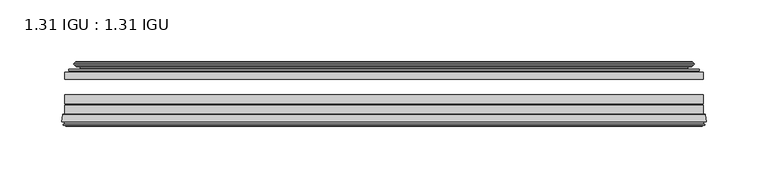
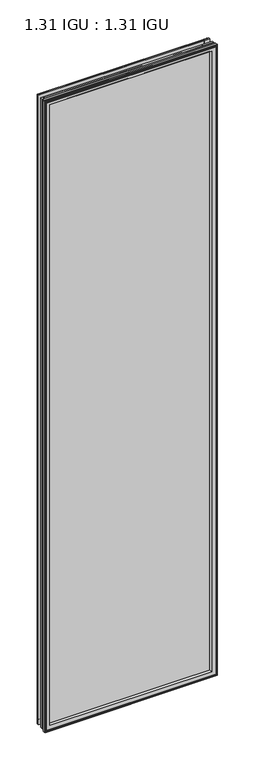
"""IFC4 building model written with IfcOpenShell, lengths in millimetres: plate geometry, 1.31 IGU : 1.31 IGU."""

from ifc_helpers import new_model, si_unit, frame, origin, place, context, project, spatial, polyline, ellipse_curve, outline, extrude, source, transform, mapped, element, save
from ifc_brep_helpers import plane_surface, cylinder_surface, revolved_surface, advanced_brep


def plate_1_31_igu_1_31_igu_939684bc(model_context):
    return source(origin(), model_context, "Body", "SolidModel", [
        extrude(outline(polyline([(258.7578362, -44.8960875), (258.7578362, -50.4332875), (-258.7627713, -50.4332875), (-258.7627713, -44.8960875), (258.7578362, -44.8960875)])), frame((0.0, 0.0, -14.2875), z_axis=(0.0, 0.0, 1.0), x_axis=(1.0, 0.0, 0.0)), (0.0, 0.0, 1.0), 2009.67848),
        extrude(outline(polyline([(-258.7627713, -78.7796875), (-258.7627713, -71.7692875), (258.7578362, -71.7692875), (258.7578362, -78.7796875), (-258.7627713, -78.7796875)])), frame((0.0, 0.0, -14.2875), z_axis=(0.0, 0.0, 1.0), x_axis=(1.0, 0.0, 0.0)), (0.0, 0.0, 1.0), 2009.67848),
        extrude(outline(polyline([(-258.7627713, -70.2452875), (-258.7627713, -63.1332875), (258.7578362, -63.1332875), (258.7578362, -70.2452875), (-258.7627713, -70.2452875)])), frame((0.0, 0.0, -14.2875), z_axis=(0.0, 0.0, 1.0), x_axis=(1.0, 0.0, 0.0)), (0.0, 0.0, 1.0), 2009.67848),
        advanced_brep(
        [(-261.3096752, -85.1296875, 1997.9378839), (-260.6148914, -79.4711276, 1997.2431001), (-260.6148914, -79.4711276, -16.1396201), (-261.3096752, -85.1296875, -16.8344039), (-258.9220752, -87.1207518, 1995.5502839), (-259.3792752, -85.1296875, 1996.0074839), (-259.3792752, -85.1296875, -14.9040039), (-258.9220752, -87.1207518, -14.4468039), (-259.9234371, -86.8524376, 1996.5516458), (-259.9234371, -86.8524376, -15.4481658), (-260.1666752, -87.7602147, 1996.7948839), (-260.1666752, -87.7602147, -15.6914039), (-258.1346752, -88.3046875, 1994.7628839), (-258.1346752, -88.3046875, -13.6594039), (-256.1026752, -87.7602147, 1992.7308839), (-256.1026752, -87.7602147, -11.6274039), (-256.3459133, -86.8524376, 1992.9741221), (-256.3459133, -86.8524376, -11.8706421), (-257.3472752, -87.1207518, 1993.9754839), (-257.3472752, -87.1207518, -12.8720039), (-256.8900752, -85.1296875, 1993.5182839), (-256.8900752, -85.1296875, -12.4148039), (-259.8333606, -78.7796875, 1996.4615693), (-259.8333606, -78.7796875, -15.3580893), (260.6148914, -79.4711276, -16.1396201), (261.3096752, -85.1296875, -16.8344039), (259.3792752, -85.1296875, -14.9040039), (258.9220752, -87.1207518, -14.4468039), (259.9234371, -86.8524376, -15.4481658), (260.1666752, -87.7602147, -15.6914039), (258.1346752, -88.3046875, -13.6594039), (256.1026752, -87.7602147, -11.6274039), (256.3459133, -86.8524376, -11.8706421), (257.3472752, -87.1207518, -12.8720039), (256.8900752, -85.1296875, -12.4148039), (259.8333606, -78.7796875, -15.3580893), (260.6148914, -79.4711276, 1997.2431001), (261.3096752, -85.1296875, 1997.9378839), (259.3792752, -85.1296875, 1996.0074839), (258.9220752, -87.1207518, 1995.5502839), (259.9234371, -86.8524376, 1996.5516458), (260.1666752, -87.7602147, 1996.7948839), (258.1346752, -88.3046875, 1994.7628839), (256.1026752, -87.7602147, 1992.7308839), (256.3459133, -86.8524376, 1992.9741221), (257.3472752, -87.1207518, 1993.9754839), (256.8900752, -85.1296875, 1993.5182839), (259.8333606, -78.7796875, 1996.4615693), (-244.4874844, -85.1296875, 1981.1156931), (244.4874844, -85.1296875, 1981.1156931), (244.4874844, -85.1296875, -0.0122131), (-244.4874844, -85.1296875, -0.0122131), (-241.1712075, -78.7796875, 3.3040638), (241.1712075, -78.7796875, 3.3040638), (241.1712075, -78.7796875, 1977.7994162), (-241.1712075, -78.7796875, 1977.7994162)],
        [
            (0, 1),
            (1, 2),
            (2, 3),
            (3, 0),
            (4, 5),
            (5, 6),
            (6, 7),
            (7, 4),
            (8, 4),
            (7, 9),
            (9, 8),
            (10, 8),
            (9, 11),
            (11, 10),
            (12, 10),
            (11, 13),
            (13, 12),
            (14, 12),
            (13, 15),
            (15, 14),
            (16, 14),
            (15, 17),
            (17, 16),
            (18, 16),
            (17, 19),
            (19, 18),
            (20, 18),
            (19, 21),
            (21, 20),
            (1, 22, ellipse_curve(frame((-259.8333606, -79.5670875, 1996.4615693), z_axis=(-0.7071067811865475, 0.0, -0.7071067811865475), x_axis=(-0.7071067811865474, 0.0, 0.7071067811865476)), 1.1135518, 0.7874)),
            (22, 23),
            (23, 2, ellipse_curve(frame((-259.8333606, -79.5670875, -15.3580893), z_axis=(-0.7071067811865475, 0.0, 0.7071067811865475), x_axis=(0.7071067811865474, 0.0, 0.7071067811865476)), 1.1135518, 0.7874)),
            (2, 24),
            (24, 25),
            (25, 3),
            (6, 26),
            (26, 27),
            (27, 7),
            (27, 28),
            (28, 9),
            (28, 29),
            (29, 11),
            (29, 30),
            (30, 13),
            (30, 31),
            (31, 15),
            (31, 32),
            (32, 17),
            (32, 33),
            (33, 19),
            (33, 34),
            (34, 21),
            (23, 35),
            (35, 24, ellipse_curve(frame((259.8333606, -79.5670875, -15.3580893), z_axis=(-0.7071067811865475, 0.0, -0.7071067811865475), x_axis=(-0.7071067811865476, 0.0, 0.7071067811865474)), 1.1135518, 0.7874)),
            (24, 36),
            (36, 37),
            (37, 25),
            (26, 38),
            (38, 39),
            (39, 27),
            (39, 40),
            (40, 28),
            (40, 41),
            (41, 29),
            (41, 42),
            (42, 30),
            (42, 43),
            (43, 31),
            (43, 44),
            (44, 32),
            (44, 45),
            (45, 33),
            (45, 46),
            (46, 34),
            (35, 47),
            (47, 36, ellipse_curve(frame((259.8333606, -79.5670875, 1996.4615693), z_axis=(0.7071067811865475, 0.0, -0.7071067811865475), x_axis=(-0.7071067811865474, 0.0, -0.7071067811865476)), 1.1135518, 0.7874)),
            (36, 1),
            (0, 37),
            (5, 38),
            (4, 39),
            (8, 40),
            (10, 41),
            (12, 42),
            (14, 43),
            (16, 44),
            (18, 45),
            (20, 46),
            (48, 49),
            (49, 50),
            (50, 51),
            (51, 48),
            (22, 47),
            (52, 53),
            (53, 54),
            (54, 55),
            (55, 52),
            (55, 48, ellipse_curve(frame((-233.2381895, -86.963653, 1969.8663982), z_axis=(0.7071067811865475, 0.0, 0.7071067811865475), x_axis=(0.7071067811865474, 0.0, -0.7071067811865476)), 16.118937, 11.3978097)),
            (51, 52, ellipse_curve(frame((-233.2381895, -86.963653, 11.2370818), z_axis=(0.7071067811865475, 0.0, -0.7071067811865475), x_axis=(-0.7071067811865474, 0.0, -0.7071067811865476)), 16.118937, 11.3978097)),
            (50, 53, ellipse_curve(frame((233.2381895, -86.963653, 11.2370818), z_axis=(0.7071067811865475, 0.0, 0.7071067811865475), x_axis=(0.7071067811865476, 0.0, -0.7071067811865474)), 16.118937, 11.3978097)),
            (49, 54, ellipse_curve(frame((233.2381895, -86.963653, 1969.8663982), z_axis=(-0.7071067811865475, 0.0, 0.7071067811865475), x_axis=(0.7071067811865474, 0.0, 0.7071067811865476)), 16.118937, 11.3978097)),
        ],
        [
            plane_surface(frame((-260.6148914, -79.4711276, 1997.2431001), z_axis=(-0.9925461516413008, 0.12186934340532068, 0.0), x_axis=(0.0, 0.0, -1.0))),
            plane_surface(frame((-259.3792752, -85.1296875, 1996.0074839), z_axis=(-0.9746347637895997, -0.22380142361654332, 0.0), x_axis=(0.0, 0.0, -1.0))),
            plane_surface(frame((-258.9220752, -87.1207518, 1995.5502839), z_axis=(0.25881904510266784, 0.9659258262890289, 0.0), x_axis=(0.0, 0.0, -1.0))),
            plane_surface(frame((-259.9234371, -86.8524376, 1996.5516458), z_axis=(-0.9659258262890449, 0.2588190451026083, 0.0), x_axis=(0.0, 0.0, -1.0))),
            plane_surface(frame((-260.1666752, -87.7602147, 1996.7948839), z_axis=(-0.2588190451025689, -0.9659258262890554, 0.0), x_axis=(0.0, 0.0, -1.0))),
            plane_surface(frame((-258.1346752, -88.3046875, 1994.7628839), z_axis=(0.25881904510241466, -0.9659258262890968, 0.0), x_axis=(0.0, 0.0, -1.0))),
            plane_surface(frame((-256.1026752, -87.7602147, 1992.7308839), z_axis=(0.9659258262890272, 0.25881904510267406, 0.0), x_axis=(0.0, 0.0, -1.0))),
            plane_surface(frame((-256.3459133, -86.8524376, 1992.9741221), z_axis=(-0.25881904510234177, 0.9659258262891163, 0.0), x_axis=(0.0, 0.0, -1.0))),
            plane_surface(frame((-257.3472752, -87.1207518, 1993.9754839), z_axis=(0.9746347637895936, -0.2238014236165695, 0.0), x_axis=(0.0, 0.0, -1.0))),
            cylinder_surface(frame((-259.8333606, -79.5670875, 2012.85348), z_axis=(0.0, 0.0, 1.0), x_axis=(-1.0, 0.0, 0.0)), 0.7874),
            plane_surface(frame((-260.6148914, -79.4711276, -16.1396201), z_axis=(0.0, 0.12186934340531747, -0.9925461516413012), x_axis=(1.0, 0.0, 0.0))),
            plane_surface(frame((-259.3792752, -85.1296875, -14.9040039), z_axis=(0.0, -0.22380142361654648, -0.9746347637895989), x_axis=(1.0, 0.0, 0.0))),
            plane_surface(frame((-258.9220752, -87.1207518, -14.4468039), z_axis=(0.0, 0.9659258262890298, 0.25881904510266474), x_axis=(1.0, 0.0, 0.0))),
            plane_surface(frame((-259.9234371, -86.8524376, -15.4481658), z_axis=(0.0, 0.25881904510260517, -0.9659258262890458), x_axis=(1.0, 0.0, 0.0))),
            plane_surface(frame((-260.1666752, -87.7602147, -15.6914039), z_axis=(0.0, -0.9659258262890563, -0.2588190451025658), x_axis=(1.0, 0.0, 0.0))),
            plane_surface(frame((-258.1346752, -88.3046875, -13.6594039), z_axis=(0.0, -0.965925826289096, 0.25881904510241777), x_axis=(1.0, 0.0, 0.0))),
            plane_surface(frame((-256.1026752, -87.7602147, -11.6274039), z_axis=(0.0, 0.2588190451026772, 0.9659258262890265), x_axis=(1.0, 0.0, 0.0))),
            plane_surface(frame((-256.3459133, -86.8524376, -11.8706421), z_axis=(0.0, 0.9659258262891154, -0.2588190451023449), x_axis=(1.0, 0.0, 0.0))),
            plane_surface(frame((-257.3472752, -87.1207518, -12.8720039), z_axis=(0.0, -0.22380142361656633, 0.9746347637895943), x_axis=(1.0, 0.0, 0.0))),
            cylinder_surface(frame((-276.2252713, -79.5670875, -15.3580893), z_axis=(-1.0, 0.0, 0.0), x_axis=(0.0, 0.0, -1.0)), 0.7874),
            plane_surface(frame((260.6148914, -79.4711276, -16.1396201), z_axis=(0.9925461516413017, 0.12186934340531425, 0.0), x_axis=(0.0, 0.0, 1.0))),
            plane_surface(frame((259.3792752, -85.1296875, -14.9040039), z_axis=(0.9746347637895981, -0.22380142361654964, 0.0), x_axis=(0.0, 0.0, 1.0))),
            plane_surface(frame((258.9220752, -87.1207518, -14.4468039), z_axis=(-0.2588190451026616, 0.9659258262890307, 0.0), x_axis=(0.0, 0.0, 1.0))),
            plane_surface(frame((259.9234371, -86.8524376, -15.4481658), z_axis=(0.9659258262890467, 0.25881904510260206, 0.0), x_axis=(0.0, 0.0, 1.0))),
            plane_surface(frame((260.1666752, -87.7602147, -15.6914039), z_axis=(0.2588190451025627, -0.9659258262890572, 0.0), x_axis=(0.0, 0.0, 1.0))),
            plane_surface(frame((258.1346752, -88.3046875, -13.6594039), z_axis=(-0.2588190451024209, -0.9659258262890951, 0.0), x_axis=(0.0, 0.0, 1.0))),
            plane_surface(frame((256.1026752, -87.7602147, -11.6274039), z_axis=(-0.9659258262890256, 0.25881904510268033, 0.0), x_axis=(0.0, 0.0, 1.0))),
            plane_surface(frame((256.3459133, -86.8524376, -11.8706421), z_axis=(0.25881904510234804, 0.9659258262891146, 0.0), x_axis=(0.0, 0.0, 1.0))),
            plane_surface(frame((257.3472752, -87.1207518, -12.8720039), z_axis=(-0.9746347637895951, -0.22380142361656316, 0.0), x_axis=(0.0, 0.0, 1.0))),
            cylinder_surface(frame((259.8333606, -79.5670875, -31.75), z_axis=(0.0, 0.0, -1.0), x_axis=(1.0, 0.0, 0.0)), 0.7874),
            plane_surface(frame((260.6148914, -79.4711276, 1997.2431001), z_axis=(0.0, 0.12186934340531747, 0.9925461516413012), x_axis=(-1.0, 0.0, 0.0))),
            plane_surface(frame((261.3096752, -85.1296875, 1997.9378839), z_axis=(0.0, -1.0, 0.0), x_axis=(-1.0, 0.0, 0.0))),
            plane_surface(frame((259.3792752, -85.1296875, 1996.0074839), z_axis=(0.0, -0.22380142361654648, 0.9746347637895989), x_axis=(-1.0, 0.0, 0.0))),
            plane_surface(frame((258.9220752, -87.1207518, 1995.5502839), z_axis=(0.0, 0.9659258262890298, -0.25881904510266474), x_axis=(-1.0, 0.0, 0.0))),
            plane_surface(frame((259.9234371, -86.8524376, 1996.5516458), z_axis=(0.0, 0.25881904510260517, 0.9659258262890458), x_axis=(-1.0, 0.0, 0.0))),
            plane_surface(frame((260.1666752, -87.7602147, 1996.7948839), z_axis=(0.0, -0.9659258262890563, 0.2588190451025658), x_axis=(-1.0, 0.0, 0.0))),
            plane_surface(frame((258.1346752, -88.3046875, 1994.7628839), z_axis=(0.0, -0.965925826289096, -0.25881904510241777), x_axis=(-1.0, 0.0, 0.0))),
            plane_surface(frame((256.1026752, -87.7602147, 1992.7308839), z_axis=(0.0, 0.2588190451026772, -0.9659258262890265), x_axis=(-1.0, 0.0, 0.0))),
            plane_surface(frame((256.3459133, -86.8524376, 1992.9741221), z_axis=(0.0, 0.9659258262891155, 0.25881904510234494), x_axis=(-1.0, 0.0, 0.0))),
            plane_surface(frame((257.3472752, -87.1207518, 1993.9754839), z_axis=(0.0, -0.22380142361656633, -0.9746347637895943), x_axis=(-1.0, 0.0, 0.0))),
            plane_surface(frame((256.8900752, -85.1296875, 1993.5182839), z_axis=(0.0, -1.0, 0.0), x_axis=(-1.0, 0.0, 0.0))),
            plane_surface(frame((241.1712075, -78.7796875, 1977.7994162), z_axis=(0.0, 1.0, 0.0), x_axis=(-1.0, 0.0, 0.0))),
            cylinder_surface(frame((276.2252713, -79.5670875, 1996.4615693), z_axis=(1.0, 0.0, 0.0), x_axis=(0.0, 0.0, 1.0)), 0.7874),
            revolved_surface(polyline([(-244.63599920000001, -86.963653, -0.1607278582187064), (-244.63599920000001, -86.963653, 1981.2642078582187)]), (-233.2381895, -86.963653, 2012.85348), (0.0, 0.0, -1.0)),
            revolved_surface(polyline([(244.6359991582188, -86.963653, -0.16072789999999948), (-244.63599915821874, -86.963653, -0.16072789999999948)]), (-276.2252713, -86.963653, 11.2370818), (1.0, 0.0, 0.0)),
            revolved_surface(polyline([(244.63599920000001, -86.963653, 1981.2642078582187), (244.63599920000001, -86.963653, -0.16072785821874191)]), (233.2381895, -86.963653, -31.75), (0.0, 0.0, 1.0)),
            revolved_surface(polyline([(-244.6359991582188, -86.963653, 1981.2642079), (244.63599915821874, -86.963653, 1981.2642079)]), (276.2252713, -86.963653, 1969.8663982), (-1.0, 0.0, 0.0)),
        ],
        [
            (0, [[1, 2, 3, 4]]),
            (1, [[5, 6, 7, 8]]),
            (2, [[9, -8, 10, 11]]),
            (3, [[12, -11, 13, 14]]),
            (4, [[15, -14, 16, 17]]),
            (5, [[18, -17, 19, 20]]),
            (6, [[21, -20, 22, 23]]),
            (7, [[24, -23, 25, 26]]),
            (8, [[27, -26, 28, 29]]),
            (9, [[30, 31, 32, -2]]),
            (10, [[-3, 33, 34, 35]]),
            (11, [[-7, 36, 37, 38]]),
            (12, [[-10, -38, 39, 40]]),
            (13, [[-13, -40, 41, 42]]),
            (14, [[-16, -42, 43, 44]]),
            (15, [[-19, -44, 45, 46]]),
            (16, [[-22, -46, 47, 48]]),
            (17, [[-25, -48, 49, 50]]),
            (18, [[-28, -50, 51, 52]]),
            (19, [[-32, 53, 54, -33]]),
            (20, [[-34, 55, 56, 57]]),
            (21, [[-37, 58, 59, 60]]),
            (22, [[-39, -60, 61, 62]]),
            (23, [[-41, -62, 63, 64]]),
            (24, [[-43, -64, 65, 66]]),
            (25, [[-45, -66, 67, 68]]),
            (26, [[-47, -68, 69, 70]]),
            (27, [[-49, -70, 71, 72]]),
            (28, [[-51, -72, 73, 74]]),
            (29, [[-54, 75, 76, -55]]),
            (30, [[-56, 77, -1, 78]]),
            (31, [[-35, -57, -78, -4], [79, -58, -36, -6]]),
            (32, [[-59, -79, -5, 80]]),
            (33, [[-61, -80, -9, 81]]),
            (34, [[-63, -81, -12, 82]]),
            (35, [[-65, -82, -15, 83]]),
            (36, [[-67, -83, -18, 84]]),
            (37, [[-69, -84, -21, 85]]),
            (38, [[-71, -85, -24, 86]]),
            (39, [[-73, -86, -27, 87]]),
            (40, [[-52, -74, -87, -29], [88, 89, 90, 91]]),
            (41, [[92, -75, -53, -31], [93, 94, 95, 96]]),
            (42, [[-76, -92, -30, -77]]),
            (43, [[97, -91, 98, -96]]),
            (44, [[-98, -90, 99, -93]]),
            (45, [[-99, -89, 100, -94]]),
            (46, [[-100, -88, -97, -95]]),
        ],
    ),
        advanced_brep(
        [(-249.4174468, -37.7373382, 1986.0456555), (-244.4758138, -36.3108875, 1981.1040226), (-244.4758138, -36.3108875, -0.0005426), (-249.4174468, -37.7373382, -4.9421755), (-249.2523415, -36.9605789, 1985.8805502), (-249.2523415, -36.9605789, -4.7770702), (-249.8478272, -36.4771203, 1986.4760359), (-249.8478272, -36.4771203, -5.3725559), (-251.112463, -37.766076, 1987.7406717), (-251.112463, -37.766076, -6.6371917), (-251.1016462, -38.8797852, 1987.7298549), (-251.1016462, -38.8797852, -6.6263749), (-249.820161, -40.1361433, 1986.4483697), (-249.820161, -40.1361433, -5.3448897), (-249.2151542, -39.649943, 1985.8433629), (-249.2151542, -39.649943, -4.7398829), (-249.7691684, -39.0959287, 1986.3973772), (-249.7691684, -39.0959287, -5.2938972), (-247.48336, -38.7029881, 1984.1115687), (-247.48336, -38.7029881, -3.0080887), (-246.0242869, -40.2107282, 1982.6524957), (-246.0242869, -40.2107282, -1.5490157), (-246.3208689, -41.651269, 1982.9490776), (-246.3208689, -41.651269, -1.8455976), (-247.0920933, -42.2798875, 1983.7203021), (-247.0920933, -42.2798875, -2.6168221), (-255.3960697, -43.4871542, 1992.0242784), (-255.1208682, -42.2798875, 1991.7490769), (-255.1208682, -42.2798875, -10.6455969), (-255.3960697, -43.4871542, -10.9207984), (-251.938501, -44.8960875, 1988.5667097), (-251.938501, -44.8960875, -7.4632297), (-240.8408772, -44.023302, 1977.4690859), (-241.1962152, -44.8960875, 1977.8244239), (-241.1962152, -44.8960875, 3.2790561), (-240.8408772, -44.023302, 3.6343941), (-241.5120752, -43.3681812, 1978.140284), (-241.5120752, -43.3681812, 2.963196), (-243.1528658, -40.6686056, 1979.7810746), (-243.1528658, -40.6686056, 1.3224054), (244.4758138, -36.3108875, -0.0005426), (249.4174468, -37.7373382, -4.9421755), (249.2523415, -36.9605789, -4.7770702), (249.8478272, -36.4771203, -5.3725559), (251.112463, -37.766076, -6.6371917), (251.1016462, -38.8797852, -6.6263749), (249.820161, -40.1361433, -5.3448897), (249.2151542, -39.649943, -4.7398829), (249.7691684, -39.0959287, -5.2938972), (247.48336, -38.7029881, -3.0080887), (246.0242869, -40.2107282, -1.5490157), (246.3208689, -41.651269, -1.8455976), (247.0920933, -42.2798875, -2.6168221), (255.1208682, -42.2798875, -10.6455969), (255.3960697, -43.4871542, -10.9207984), (251.938501, -44.8960875, -7.4632297), (241.1962152, -44.8960875, 3.2790561), (240.8408772, -44.023302, 3.6343941), (241.5120752, -43.3681812, 2.963196), (243.1528658, -40.6686056, 1.3224054), (244.4758138, -36.3108875, 1981.1040226), (249.4174468, -37.7373382, 1986.0456555), (249.2523415, -36.9605789, 1985.8805502), (249.8478272, -36.4771203, 1986.4760359), (251.112463, -37.766076, 1987.7406717), (251.1016462, -38.8797852, 1987.7298549), (249.820161, -40.1361433, 1986.4483697), (249.2151542, -39.649943, 1985.8433629), (249.7691684, -39.0959287, 1986.3973772), (247.48336, -38.7029881, 1984.1115687), (246.0242869, -40.2107282, 1982.6524957), (246.3208689, -41.651269, 1982.9490776), (247.0920933, -42.2798875, 1983.7203021), (255.1208682, -42.2798875, 1991.7490769), (255.3960697, -43.4871542, 1992.0242784), (251.938501, -44.8960875, 1988.5667097), (241.1962152, -44.8960875, 1977.8244239), (240.8408772, -44.023302, 1977.4690859), (241.5120752, -43.3681812, 1978.140284), (243.1528658, -40.6686056, 1979.7810746)],
        [
            (0, 1),
            (1, 2),
            (2, 3),
            (3, 0),
            (4, 0),
            (3, 5),
            (5, 4),
            (6, 4, ellipse_curve(frame((-249.5728584, -36.746901, 1986.2010671), z_axis=(-0.7071067811865475, 0.0, -0.7071067811865475), x_axis=(-0.7071067811865474, 0.0, 0.7071067811865476)), 0.5447741, 0.3852135)),
            (5, 7, ellipse_curve(frame((-249.5728584, -36.746901, -5.0975871), z_axis=(-0.7071067811865475, 0.0, 0.7071067811865475), x_axis=(0.7071067811865474, 0.0, 0.7071067811865476)), 0.5447741, 0.3852135)),
            (7, 6),
            (8, 6),
            (7, 9),
            (9, 8),
            (10, 8, ellipse_curve(frame((-250.5504099, -38.3175243, 1987.1786187), z_axis=(-0.7071067811865475, 0.0, -0.7071067811865475), x_axis=(-0.7071067811865474, 0.0, 0.7071067811865476)), 1.1135518, 0.7874)),
            (9, 11, ellipse_curve(frame((-250.5504099, -38.3175243, -6.0751387), z_axis=(-0.7071067811865475, 0.0, 0.7071067811865475), x_axis=(0.7071067811865474, 0.0, 0.7071067811865476)), 1.1135518, 0.7874)),
            (11, 10),
            (12, 10),
            (11, 13),
            (13, 12),
            (14, 12, ellipse_curve(frame((-249.5465635, -39.8570738, 1986.1747722), z_axis=(-0.7071067811865475, 0.0, -0.7071067811865475), x_axis=(-0.7071067811865474, 0.0, 0.7071067811865476)), 0.552694, 0.3908137)),
            (13, 15, ellipse_curve(frame((-249.5465635, -39.8570738, -5.0712922), z_axis=(-0.7071067811865475, 0.0, 0.7071067811865475), x_axis=(0.7071067811865474, 0.0, 0.7071067811865476)), 0.552694, 0.3908137)),
            (15, 14),
            (16, 14),
            (15, 17),
            (17, 16),
            (18, 16),
            (17, 19),
            (19, 18),
            (20, 18, ellipse_curve(frame((-247.2681974, -39.954629, 1983.8964061), z_axis=(0.7071067811865475, 0.0, 0.7071067811865475), x_axis=(0.7071067811865474, 0.0, -0.7071067811865476)), 1.7960512, 1.27)),
            (19, 21, ellipse_curve(frame((-247.2681974, -39.954629, -2.7929261), z_axis=(0.7071067811865475, 0.0, -0.7071067811865475), x_axis=(-0.7071067811865474, 0.0, -0.7071067811865476)), 1.7960512, 1.27)),
            (21, 20),
            (22, 20),
            (21, 23),
            (23, 22),
            (24, 22, ellipse_curve(frame((-247.0920933, -41.4924875, 1983.7203021), z_axis=(0.7071067811865475, 0.0, 0.7071067811865475), x_axis=(0.7071067811865474, 0.0, -0.7071067811865476)), 1.1135518, 0.7874)),
            (23, 25, ellipse_curve(frame((-247.0920933, -41.4924875, -2.6168221), z_axis=(0.7071067811865475, 0.0, -0.7071067811865475), x_axis=(-0.7071067811865474, 0.0, -0.7071067811865476)), 1.1135518, 0.7874)),
            (25, 24),
            (26, 27, ellipse_curve(frame((-255.1208682, -42.9148875, 1991.7490769), z_axis=(-0.7071067811865475, 0.0, -0.7071067811865475), x_axis=(-0.7071067811865474, 0.0, 0.7071067811865476)), 0.8980256, 0.635)),
            (27, 28),
            (28, 29, ellipse_curve(frame((-255.1208682, -42.9148875, -10.6455969), z_axis=(-0.7071067811865475, 0.0, 0.7071067811865475), x_axis=(0.7071067811865474, 0.0, 0.7071067811865476)), 0.8980256, 0.635)),
            (29, 26),
            (30, 26),
            (29, 31),
            (31, 30),
            (32, 33, ellipse_curve(frame((-241.1962152, -44.3873602, 1977.8244239), z_axis=(-0.7071067811865475, 0.0, -0.7071067811865475), x_axis=(-0.7071067811865474, 0.0, 0.7071067811865476)), 0.719449, 0.5087273)),
            (33, 34),
            (34, 35, ellipse_curve(frame((-241.1962152, -44.3873602, 3.2790561), z_axis=(-0.7071067811865475, 0.0, 0.7071067811865475), x_axis=(0.7071067811865474, 0.0, 0.7071067811865476)), 0.719449, 0.5087273)),
            (35, 32),
            (36, 32),
            (35, 37),
            (37, 36),
            (38, 36, ellipse_curve(frame((-237.076701, -38.823959, 1973.7049098), z_axis=(0.7071067811865475, 0.0, 0.7071067811865475), x_axis=(0.7071067811865474, 0.0, -0.7071067811865476)), 8.9802561, 6.35)),
            (37, 39, ellipse_curve(frame((-237.076701, -38.823959, 7.3985702), z_axis=(0.7071067811865475, 0.0, -0.7071067811865475), x_axis=(-0.7071067811865474, 0.0, -0.7071067811865476)), 8.9802561, 6.35)),
            (39, 38),
            (1, 38),
            (39, 2),
            (2, 40),
            (40, 41),
            (41, 3),
            (41, 42),
            (42, 5),
            (42, 43, ellipse_curve(frame((249.5728584, -36.746901, -5.0975871), z_axis=(-0.7071067811865475, 0.0, -0.7071067811865475), x_axis=(-0.7071067811865476, 0.0, 0.7071067811865474)), 0.5447741, 0.3852135)),
            (43, 7),
            (43, 44),
            (44, 9),
            (44, 45, ellipse_curve(frame((250.5504099, -38.3175243, -6.0751387), z_axis=(-0.7071067811865475, 0.0, -0.7071067811865475), x_axis=(-0.7071067811865476, 0.0, 0.7071067811865474)), 1.1135518, 0.7874)),
            (45, 11),
            (45, 46),
            (46, 13),
            (46, 47, ellipse_curve(frame((249.5465635, -39.8570738, -5.0712922), z_axis=(-0.7071067811865475, 0.0, -0.7071067811865475), x_axis=(-0.7071067811865476, 0.0, 0.7071067811865474)), 0.552694, 0.3908137)),
            (47, 15),
            (47, 48),
            (48, 17),
            (48, 49),
            (49, 19),
            (49, 50, ellipse_curve(frame((247.2681974, -39.954629, -2.7929261), z_axis=(0.7071067811865475, 0.0, 0.7071067811865475), x_axis=(0.7071067811865476, 0.0, -0.7071067811865474)), 1.7960512, 1.27)),
            (50, 21),
            (50, 51),
            (51, 23),
            (51, 52, ellipse_curve(frame((247.0920933, -41.4924875, -2.6168221), z_axis=(0.7071067811865475, 0.0, 0.7071067811865475), x_axis=(0.7071067811865476, 0.0, -0.7071067811865474)), 1.1135518, 0.7874)),
            (52, 25),
            (28, 53),
            (53, 54, ellipse_curve(frame((255.1208682, -42.9148875, -10.6455969), z_axis=(-0.7071067811865475, 0.0, -0.7071067811865475), x_axis=(-0.7071067811865476, 0.0, 0.7071067811865474)), 0.8980256, 0.635)),
            (54, 29),
            (54, 55),
            (55, 31),
            (34, 56),
            (56, 57, ellipse_curve(frame((241.1962152, -44.3873602, 3.2790561), z_axis=(-0.7071067811865475, 0.0, -0.7071067811865475), x_axis=(-0.7071067811865476, 0.0, 0.7071067811865474)), 0.719449, 0.5087273)),
            (57, 35),
            (57, 58),
            (58, 37),
            (58, 59, ellipse_curve(frame((237.076701, -38.823959, 7.3985702), z_axis=(0.7071067811865475, 0.0, 0.7071067811865475), x_axis=(0.7071067811865476, 0.0, -0.7071067811865474)), 8.9802561, 6.35)),
            (59, 39),
            (59, 40),
            (40, 60),
            (60, 61),
            (61, 41),
            (61, 62),
            (62, 42),
            (62, 63, ellipse_curve(frame((249.5728584, -36.746901, 1986.2010671), z_axis=(0.7071067811865475, 0.0, -0.7071067811865475), x_axis=(-0.7071067811865474, 0.0, -0.7071067811865476)), 0.5447741, 0.3852135)),
            (63, 43),
            (63, 64),
            (64, 44),
            (64, 65, ellipse_curve(frame((250.5504099, -38.3175243, 1987.1786187), z_axis=(0.7071067811865475, 0.0, -0.7071067811865475), x_axis=(-0.7071067811865474, 0.0, -0.7071067811865476)), 1.1135518, 0.7874)),
            (65, 45),
            (65, 66),
            (66, 46),
            (66, 67, ellipse_curve(frame((249.5465635, -39.8570738, 1986.1747722), z_axis=(0.7071067811865475, 0.0, -0.7071067811865475), x_axis=(-0.7071067811865474, 0.0, -0.7071067811865476)), 0.552694, 0.3908137)),
            (67, 47),
            (67, 68),
            (68, 48),
            (68, 69),
            (69, 49),
            (69, 70, ellipse_curve(frame((247.2681974, -39.954629, 1983.8964061), z_axis=(-0.7071067811865475, 0.0, 0.7071067811865475), x_axis=(0.7071067811865474, 0.0, 0.7071067811865476)), 1.7960512, 1.27)),
            (70, 50),
            (70, 71),
            (71, 51),
            (71, 72, ellipse_curve(frame((247.0920933, -41.4924875, 1983.7203021), z_axis=(-0.7071067811865475, 0.0, 0.7071067811865475), x_axis=(0.7071067811865474, 0.0, 0.7071067811865476)), 1.1135518, 0.7874)),
            (72, 52),
            (53, 73),
            (73, 74, ellipse_curve(frame((255.1208682, -42.9148875, 1991.7490769), z_axis=(0.7071067811865475, 0.0, -0.7071067811865475), x_axis=(-0.7071067811865474, 0.0, -0.7071067811865476)), 0.8980256, 0.635)),
            (74, 54),
            (74, 75),
            (75, 55),
            (56, 76),
            (76, 77, ellipse_curve(frame((241.1962152, -44.3873602, 1977.8244239), z_axis=(0.7071067811865475, 0.0, -0.7071067811865475), x_axis=(-0.7071067811865474, 0.0, -0.7071067811865476)), 0.719449, 0.5087273)),
            (77, 57),
            (77, 78),
            (78, 58),
            (78, 79, ellipse_curve(frame((237.076701, -38.823959, 1973.7049098), z_axis=(-0.7071067811865475, 0.0, 0.7071067811865475), x_axis=(0.7071067811865474, 0.0, 0.7071067811865476)), 8.9802561, 6.35)),
            (79, 59),
            (79, 60),
            (60, 1),
            (0, 61),
            (4, 62),
            (6, 63),
            (8, 64),
            (10, 65),
            (12, 66),
            (14, 67),
            (16, 68),
            (18, 69),
            (20, 70),
            (22, 71),
            (24, 72),
            (27, 73),
            (26, 74),
            (30, 75),
            (33, 76),
            (32, 77),
            (36, 78),
            (38, 79),
        ],
        [
            plane_surface(frame((-244.4758138, -36.3108875, 1981.1040226), z_axis=(-0.27733649284928463, 0.9607728502273879, 0.0), x_axis=(0.0, 0.0, -1.0))),
            plane_surface(frame((-249.4174468, -37.7373382, 1986.0456555), z_axis=(0.9781476007338358, -0.2079116908176177, 0.0), x_axis=(0.0, 0.0, -1.0))),
            cylinder_surface(frame((-249.5728584, -36.746901, 2012.85348), z_axis=(0.0, 0.0, 1.0), x_axis=(-1.0, 0.0, 0.0)), 0.3852135),
            plane_surface(frame((-249.8478272, -36.4771203, 1986.4760359), z_axis=(-0.7138087599382162, 0.7003406701280928, 0.0), x_axis=(0.0, 0.0, -1.0))),
            cylinder_surface(frame((-250.5504099, -38.3175243, 2012.85348), z_axis=(0.0, 0.0, 1.0), x_axis=(-1.0, 0.0, 0.0)), 0.7874),
            plane_surface(frame((-251.1016462, -38.8797852, 1987.7298549), z_axis=(-0.7000714109283732, -0.7140728391423082, 0.0), x_axis=(0.0, 0.0, -1.0))),
            cylinder_surface(frame((-249.5465635, -39.8570738, 2012.85348), z_axis=(0.0, 0.0, 1.0), x_axis=(-1.0, 0.0, 0.0)), 0.3908137),
            plane_surface(frame((-249.2151542, -39.649943, 1985.8433629), z_axis=(0.7071067811861126, 0.7071067811869826, 0.0), x_axis=(0.0, 0.0, -1.0))),
            plane_surface(frame((-249.7691684, -39.0959287, 1986.3973772), z_axis=(0.16941940671011482, -0.9855440449974789, 0.0), x_axis=(0.0, 0.0, -1.0))),
            revolved_surface(polyline([(-248.5381974, -39.954629, -4.062926082878221), (-248.5381974, -39.954629, 1985.1664060828782)]), (-247.2681974, -39.954629, 2012.85348), (0.0, 0.0, -1.0)),
            plane_surface(frame((-246.0242869, -40.2107282, 1982.6524957), z_axis=(-0.9794570432566897, 0.20165292067030202, 0.0), x_axis=(0.0, 0.0, -1.0))),
            revolved_surface(polyline([(-247.87949329999998, -41.4924875, -3.4042221289826102), (-247.87949329999998, -41.4924875, 1984.5077021289826)]), (-247.0920933, -41.4924875, 2012.85348), (0.0, 0.0, -1.0)),
            cylinder_surface(frame((-255.1208682, -42.9148875, 2012.85348), z_axis=(0.0, 0.0, 1.0), x_axis=(-1.0, 0.0, 0.0)), 0.635),
            plane_surface(frame((-255.3960697, -43.4871542, 1992.0242784), z_axis=(-0.37736447542757934, -0.9260648209954139, 0.0), x_axis=(0.0, 0.0, -1.0))),
            cylinder_surface(frame((-241.1962152, -44.3873602, 2012.85348), z_axis=(0.0, 0.0, 1.0), x_axis=(-1.0, 0.0, 0.0)), 0.5087273),
            plane_surface(frame((-240.8408772, -44.023302, 1977.4690859), z_axis=(0.698484125849927, 0.7156255486884628, 0.0), x_axis=(0.0, 0.0, -1.0))),
            revolved_surface(polyline([(-243.426701, -38.823959, 1.0485702148980636), (-243.426701, -38.823959, 1980.054909785102)]), (-237.076701, -38.823959, 2012.85348), (0.0, 0.0, -1.0)),
            plane_surface(frame((-243.1528658, -40.6686056, 1979.7810746), z_axis=(0.9568763473517009, 0.2904955350411895, 0.0), x_axis=(0.0, 0.0, -1.0))),
            plane_surface(frame((-244.4758138, -36.3108875, -0.0005426), z_axis=(0.0, 0.960772850227387, -0.27733649284928774), x_axis=(1.0, 0.0, 0.0))),
            plane_surface(frame((-249.4174468, -37.7373382, -4.9421755), z_axis=(0.0, -0.20791169081761454, 0.9781476007338364), x_axis=(1.0, 0.0, 0.0))),
            cylinder_surface(frame((-276.2252713, -36.746901, -5.0975871), z_axis=(-1.0, 0.0, 0.0), x_axis=(0.0, 0.0, -1.0)), 0.3852135),
            plane_surface(frame((-249.8478272, -36.4771203, -5.3725559), z_axis=(0.0, 0.7003406701280904, -0.7138087599382185), x_axis=(1.0, 0.0, 0.0))),
            cylinder_surface(frame((-276.2252713, -38.3175243, -6.0751387), z_axis=(-1.0, 0.0, 0.0), x_axis=(0.0, 0.0, -1.0)), 0.7874),
            plane_surface(frame((-251.1016462, -38.8797852, -6.6263749), z_axis=(0.0, -0.7140728391423105, -0.7000714109283709), x_axis=(1.0, 0.0, 0.0))),
            cylinder_surface(frame((-276.2252713, -39.8570738, -5.0712922), z_axis=(-1.0, 0.0, 0.0), x_axis=(0.0, 0.0, -1.0)), 0.3908137),
            plane_surface(frame((-249.2151542, -39.649943, -4.7398829), z_axis=(0.0, 0.7071067811869849, 0.7071067811861103), x_axis=(1.0, 0.0, 0.0))),
            plane_surface(frame((-249.7691684, -39.0959287, -5.2938972), z_axis=(0.0, -0.9855440449974784, 0.16941940671011801), x_axis=(1.0, 0.0, 0.0))),
            revolved_surface(polyline([(248.5381973828783, -39.954629, -4.0629261), (-248.53819738287822, -39.954629, -4.0629261)]), (-276.2252713, -39.954629, -2.7929261), (1.0, 0.0, 0.0)),
            plane_surface(frame((-246.0242869, -40.2107282, -1.5490157), z_axis=(0.0, 0.20165292067029883, -0.9794570432566904), x_axis=(1.0, 0.0, 0.0))),
            revolved_surface(polyline([(247.8794933289825, -41.4924875, -3.4042220999999997), (-247.87949332898248, -41.4924875, -3.4042220999999997)]), (-276.2252713, -41.4924875, -2.6168221), (1.0, 0.0, 0.0)),
            cylinder_surface(frame((-276.2252713, -42.9148875, -10.6455969), z_axis=(-1.0, 0.0, 0.0), x_axis=(0.0, 0.0, -1.0)), 0.635),
            plane_surface(frame((-255.3960697, -43.4871542, -10.9207984), z_axis=(0.0, -0.9260648209954151, -0.37736447542757634), x_axis=(1.0, 0.0, 0.0))),
            cylinder_surface(frame((-276.2252713, -44.3873602, 3.2790561), z_axis=(-1.0, 0.0, 0.0), x_axis=(0.0, 0.0, -1.0)), 0.5087273),
            plane_surface(frame((-240.8408772, -44.023302, 3.6343941), z_axis=(0.0, 0.7156255486884651, 0.6984841258499247), x_axis=(1.0, 0.0, 0.0))),
            revolved_surface(polyline([(243.42670098510183, -38.823959, 1.0485702000000003), (-243.4267009851019, -38.823959, 1.0485702000000003)]), (-276.2252713, -38.823959, 7.3985702), (1.0, 0.0, 0.0)),
            plane_surface(frame((-243.1528658, -40.6686056, 1.3224054), z_axis=(0.0, 0.29049553504119263, 0.9568763473517), x_axis=(1.0, 0.0, 0.0))),
            plane_surface(frame((244.4758138, -36.3108875, -0.0005426), z_axis=(0.27733649284929085, 0.9607728502273861, 0.0), x_axis=(0.0, 0.0, 1.0))),
            plane_surface(frame((249.4174468, -37.7373382, -4.9421755), z_axis=(-0.9781476007338371, -0.20791169081761138, 0.0), x_axis=(0.0, 0.0, 1.0))),
            cylinder_surface(frame((249.5728584, -36.746901, -31.75), z_axis=(0.0, 0.0, -1.0), x_axis=(1.0, 0.0, 0.0)), 0.3852135),
            plane_surface(frame((249.8478272, -36.4771203, -5.3725559), z_axis=(0.7138087599382208, 0.7003406701280882, 0.0), x_axis=(0.0, 0.0, 1.0))),
            cylinder_surface(frame((250.5504099, -38.3175243, -31.75), z_axis=(0.0, 0.0, -1.0), x_axis=(1.0, 0.0, 0.0)), 0.7874),
            plane_surface(frame((251.1016462, -38.8797852, -6.6263749), z_axis=(0.7000714109283687, -0.7140728391423128, 0.0), x_axis=(0.0, 0.0, 1.0))),
            cylinder_surface(frame((249.5465635, -39.8570738, -31.75), z_axis=(0.0, 0.0, -1.0), x_axis=(1.0, 0.0, 0.0)), 0.3908137),
            plane_surface(frame((249.2151542, -39.649943, -4.7398829), z_axis=(-0.7071067811861079, 0.7071067811869872, 0.0), x_axis=(0.0, 0.0, 1.0))),
            plane_surface(frame((249.7691684, -39.0959287, -5.2938972), z_axis=(-0.1694194067101212, -0.9855440449974778, 0.0), x_axis=(0.0, 0.0, 1.0))),
            revolved_surface(polyline([(248.5381974, -39.954629, 1985.1664060828782), (248.5381974, -39.954629, -4.062926082878235)]), (247.2681974, -39.954629, -31.75), (0.0, 0.0, 1.0)),
            plane_surface(frame((246.0242869, -40.2107282, -1.5490157), z_axis=(0.979457043256691, 0.20165292067029564, 0.0), x_axis=(0.0, 0.0, 1.0))),
            revolved_surface(polyline([(247.87949329999998, -41.4924875, 1984.5077021289826), (247.87949329999998, -41.4924875, -3.404222128982486)]), (247.0920933, -41.4924875, -31.75), (0.0, 0.0, 1.0)),
            cylinder_surface(frame((255.1208682, -42.9148875, -31.75), z_axis=(0.0, 0.0, -1.0), x_axis=(1.0, 0.0, 0.0)), 0.635),
            plane_surface(frame((255.3960697, -43.4871542, -10.9207984), z_axis=(0.37736447542757334, -0.9260648209954163, 0.0), x_axis=(0.0, 0.0, 1.0))),
            cylinder_surface(frame((241.1962152, -44.3873602, -31.75), z_axis=(0.0, 0.0, -1.0), x_axis=(1.0, 0.0, 0.0)), 0.5087273),
            plane_surface(frame((240.8408772, -44.023302, 3.6343941), z_axis=(-0.6984841258499224, 0.7156255486884673, 0.0), x_axis=(0.0, 0.0, 1.0))),
            revolved_surface(polyline([(243.426701, -38.823959, 1980.054909785102), (243.426701, -38.823959, 1.0485702148981417)]), (237.076701, -38.823959, -31.75), (0.0, 0.0, 1.0)),
            plane_surface(frame((243.1528658, -40.6686056, 1.3224054), z_axis=(-0.9568763473516991, 0.29049553504119574, 0.0), x_axis=(0.0, 0.0, 1.0))),
            plane_surface(frame((244.4758138, -36.3108875, 1981.1040226), z_axis=(0.0, 0.960772850227387, 0.27733649284928774), x_axis=(-1.0, 0.0, 0.0))),
            plane_surface(frame((249.4174468, -37.7373382, 1986.0456555), z_axis=(0.0, -0.20791169081761454, -0.9781476007338364), x_axis=(-1.0, 0.0, 0.0))),
            cylinder_surface(frame((276.2252713, -36.746901, 1986.2010671), z_axis=(1.0, 0.0, 0.0), x_axis=(0.0, 0.0, 1.0)), 0.3852135),
            plane_surface(frame((249.8478272, -36.4771203, 1986.4760359), z_axis=(0.0, 0.7003406701280904, 0.7138087599382185), x_axis=(-1.0, 0.0, 0.0))),
            cylinder_surface(frame((276.2252713, -38.3175243, 1987.1786187), z_axis=(1.0, 0.0, 0.0), x_axis=(0.0, 0.0, 1.0)), 0.7874),
            plane_surface(frame((251.1016462, -38.8797852, 1987.7298549), z_axis=(0.0, -0.7140728391423106, 0.700071410928371), x_axis=(-1.0, 0.0, 0.0))),
            cylinder_surface(frame((276.2252713, -39.8570738, 1986.1747722), z_axis=(1.0, 0.0, 0.0), x_axis=(0.0, 0.0, 1.0)), 0.3908137),
            plane_surface(frame((249.2151542, -39.649943, 1985.8433629), z_axis=(0.0, 0.7071067811869849, -0.7071067811861103), x_axis=(-1.0, 0.0, 0.0))),
            plane_surface(frame((249.7691684, -39.0959287, 1986.3973772), z_axis=(0.0, -0.9855440449974784, -0.16941940671011801), x_axis=(-1.0, 0.0, 0.0))),
            revolved_surface(polyline([(-248.5381973828783, -39.954629, 1985.1664061), (248.53819738287822, -39.954629, 1985.1664061)]), (276.2252713, -39.954629, 1983.8964061), (-1.0, 0.0, 0.0)),
            plane_surface(frame((246.0242869, -40.2107282, 1982.6524957), z_axis=(0.0, 0.20165292067029883, 0.9794570432566904), x_axis=(-1.0, 0.0, 0.0))),
            revolved_surface(polyline([(-247.8794933289825, -41.4924875, 1984.5077021), (247.87949332898248, -41.4924875, 1984.5077021)]), (276.2252713, -41.4924875, 1983.7203021), (-1.0, 0.0, 0.0)),
            plane_surface(frame((247.0920933, -42.2798875, 1983.7203021), z_axis=(0.0, 1.0, 0.0), x_axis=(-1.0, 0.0, 0.0))),
            cylinder_surface(frame((276.2252713, -42.9148875, 1991.7490769), z_axis=(1.0, 0.0, 0.0), x_axis=(0.0, 0.0, 1.0)), 0.635),
            plane_surface(frame((255.3960697, -43.4871542, 1992.0242784), z_axis=(0.0, -0.9260648209954151, 0.37736447542757634), x_axis=(-1.0, 0.0, 0.0))),
            plane_surface(frame((251.938501, -44.8960875, 1988.5667097), z_axis=(0.0, -1.0, 0.0), x_axis=(-1.0, 0.0, 0.0))),
            cylinder_surface(frame((276.2252713, -44.3873602, 1977.8244239), z_axis=(1.0, 0.0, 0.0), x_axis=(0.0, 0.0, 1.0)), 0.5087273),
            plane_surface(frame((240.8408772, -44.023302, 1977.4690859), z_axis=(0.0, 0.7156255486884651, -0.6984841258499247), x_axis=(-1.0, 0.0, 0.0))),
            revolved_surface(polyline([(-243.42670098510183, -38.823959, 1980.0549098), (243.4267009851019, -38.823959, 1980.0549098)]), (276.2252713, -38.823959, 1973.7049098), (-1.0, 0.0, 0.0)),
            plane_surface(frame((243.1528658, -40.6686056, 1979.7810746), z_axis=(0.0, 0.29049553504119263, -0.9568763473517), x_axis=(-1.0, 0.0, 0.0))),
        ],
        [
            (0, [[1, 2, 3, 4]]),
            (1, [[5, -4, 6, 7]]),
            (2, [[8, -7, 9, 10]]),
            (3, [[11, -10, 12, 13]]),
            (4, [[14, -13, 15, 16]]),
            (5, [[17, -16, 18, 19]]),
            (6, [[20, -19, 21, 22]]),
            (7, [[23, -22, 24, 25]]),
            (8, [[26, -25, 27, 28]]),
            (9, [[29, -28, 30, 31]]),
            (10, [[32, -31, 33, 34]]),
            (11, [[35, -34, 36, 37]]),
            (12, [[38, 39, 40, 41]]),
            (13, [[42, -41, 43, 44]]),
            (14, [[45, 46, 47, 48]]),
            (15, [[49, -48, 50, 51]]),
            (16, [[52, -51, 53, 54]]),
            (17, [[55, -54, 56, -2]]),
            (18, [[-3, 57, 58, 59]]),
            (19, [[-6, -59, 60, 61]]),
            (20, [[-9, -61, 62, 63]]),
            (21, [[-12, -63, 64, 65]]),
            (22, [[-15, -65, 66, 67]]),
            (23, [[-18, -67, 68, 69]]),
            (24, [[-21, -69, 70, 71]]),
            (25, [[-24, -71, 72, 73]]),
            (26, [[-27, -73, 74, 75]]),
            (27, [[-30, -75, 76, 77]]),
            (28, [[-33, -77, 78, 79]]),
            (29, [[-36, -79, 80, 81]]),
            (30, [[-40, 82, 83, 84]]),
            (31, [[-43, -84, 85, 86]]),
            (32, [[-47, 87, 88, 89]]),
            (33, [[-50, -89, 90, 91]]),
            (34, [[-53, -91, 92, 93]]),
            (35, [[-56, -93, 94, -57]]),
            (36, [[-58, 95, 96, 97]]),
            (37, [[-60, -97, 98, 99]]),
            (38, [[-62, -99, 100, 101]]),
            (39, [[-64, -101, 102, 103]]),
            (40, [[-66, -103, 104, 105]]),
            (41, [[-68, -105, 106, 107]]),
            (42, [[-70, -107, 108, 109]]),
            (43, [[-72, -109, 110, 111]]),
            (44, [[-74, -111, 112, 113]]),
            (45, [[-76, -113, 114, 115]]),
            (46, [[-78, -115, 116, 117]]),
            (47, [[-80, -117, 118, 119]]),
            (48, [[-83, 120, 121, 122]]),
            (49, [[-85, -122, 123, 124]]),
            (50, [[-88, 125, 126, 127]]),
            (51, [[-90, -127, 128, 129]]),
            (52, [[-92, -129, 130, 131]]),
            (53, [[-94, -131, 132, -95]]),
            (54, [[-96, 133, -1, 134]]),
            (55, [[-98, -134, -5, 135]]),
            (56, [[-100, -135, -8, 136]]),
            (57, [[-102, -136, -11, 137]]),
            (58, [[-104, -137, -14, 138]]),
            (59, [[-106, -138, -17, 139]]),
            (60, [[-108, -139, -20, 140]]),
            (61, [[-110, -140, -23, 141]]),
            (62, [[-112, -141, -26, 142]]),
            (63, [[-114, -142, -29, 143]]),
            (64, [[-116, -143, -32, 144]]),
            (65, [[-118, -144, -35, 145]]),
            (66, [[146, -120, -82, -39], [-81, -119, -145, -37]]),
            (67, [[-121, -146, -38, 147]]),
            (68, [[-123, -147, -42, 148]]),
            (69, [[-86, -124, -148, -44], [149, -125, -87, -46]]),
            (70, [[-126, -149, -45, 150]]),
            (71, [[-128, -150, -49, 151]]),
            (72, [[-130, -151, -52, 152]]),
            (73, [[-132, -152, -55, -133]]),
        ],
    ),
    ])


if __name__ == "__main__":
    model = new_model("IFC4")
    model_context = context("Model", 3, world=origin())
    ifc_project = project(units=[si_unit("LENGTHUNIT", "METRE", prefix="MILLI")], contexts=[model_context])
    site = spatial("IfcSite", under=ifc_project)
    building = spatial("IfcBuilding", under=site)
    placement = place(None, origin())
    plate_1_31_igu_1_31_igu_shape = plate_1_31_igu_1_31_igu_939684bc(model_context)
    element("IfcPlate", 1, ObjectType="1.31 IGU : 1.31 IGU", at=placement, inside=building, context=model_context, shape_type="MappedRepresentation", body=[
        mapped(plate_1_31_igu_1_31_igu_shape, transform((0.0, 0.0, 0.0), x_axis=(1.0, 0.0, 0.0), y_axis=(0.0, 1.0, 0.0), z_axis=(0.0, 0.0, 1.0))),
    ])
    save(model, "model.ifc")
